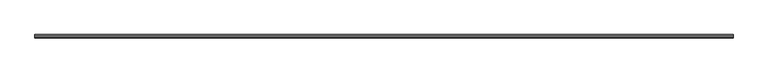
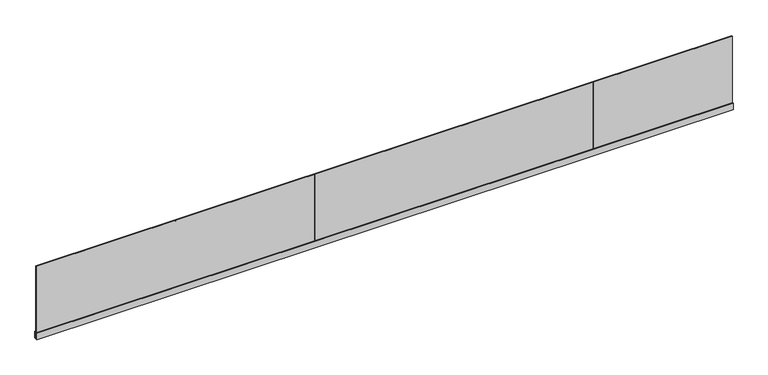
"""IFC4 building model written with IfcOpenShell, lengths in millimetres: railing geometry."""

from ifc_helpers import new_model, si_unit, frame, origin, place, context, project, spatial, polyline, outline, extrude, source, transform, mapped, element, save


def railing_21812aa6(model_context):
    return source(origin(), model_context, "Body", "SweptSolid", [
        extrude(outline(polyline([(-3061.5739061, 1879.8824508), (-3061.5739061, 1862.3824508), (-13061.5739061, 1862.3824508), (-13061.5739061, 1879.8824508), (-3061.5739061, 1879.8824508)])), frame((0.0, 0.0, 13.5), z_axis=(0.0, 0.0, 1.0), x_axis=(1.0, 0.0, 0.0)), (0.0, 0.0, 1.0), 1092.0),
        extrude(outline(polyline([(1895.6324508, 0.0), (1871.1324508, 0.0), (1846.6324508, 0.0), (1846.6324508, 98.0), (1860.8824508, 98.0), (1860.8824508, 13.5), (1871.1324508, 13.5), (1881.3824508, 13.5), (1881.3824508, 98.0), (1895.6324508, 98.0), (1895.6324508, 0.0)])), frame((-13061.5739061, 0.0, 0.0), z_axis=(1.0, 0.0, 0.0), x_axis=(0.0, 1.0, 0.0)), (0.0, 0.0, 1.0), 10000.0),
        extrude(outline(polyline([(-11063.2405711, 1862.3824508), (-11063.2405711, 1879.8824508), (-11059.9072411, 1879.8824508), (-11059.9072411, 1862.3824508), (-11063.2405711, 1862.3824508)])), frame((0.0, 0.0, 7.9), z_axis=(0.0, 0.0, 1.0), x_axis=(1.0, 0.0, 0.0)), (0.0, 0.0, 1.0), 1092.0),
        extrude(outline(polyline([(-9063.2405711, 1862.3824508), (-9063.2405711, 1879.8824508), (-9059.9072411, 1879.8824508), (-9059.9072411, 1862.3824508), (-9063.2405711, 1862.3824508)])), frame((0.0, 0.0, 7.9), z_axis=(0.0, 0.0, 1.0), x_axis=(1.0, 0.0, 0.0)), (0.0, 0.0, 1.0), 1092.0),
        extrude(outline(polyline([(-7063.2405711, 1862.3824508), (-7063.2405711, 1879.8824508), (-7059.9072411, 1879.8824508), (-7059.9072411, 1862.3824508), (-7063.2405711, 1862.3824508)])), frame((0.0, 0.0, 7.9), z_axis=(0.0, 0.0, 1.0), x_axis=(1.0, 0.0, 0.0)), (0.0, 0.0, 1.0), 1092.0),
        extrude(outline(polyline([(-5063.2405711, 1862.3824508), (-5063.2405711, 1879.8824508), (-5059.9072411, 1879.8824508), (-5059.9072411, 1862.3824508), (-5063.2405711, 1862.3824508)])), frame((0.0, 0.0, 7.9), z_axis=(0.0, 0.0, 1.0), x_axis=(1.0, 0.0, 0.0)), (0.0, 0.0, 1.0), 1092.0),
    ])


if __name__ == "__main__":
    model = new_model("IFC4")
    model_context = context("Model", 3, world=origin())
    ifc_project = project(units=[si_unit("LENGTHUNIT", "METRE", prefix="MILLI")], contexts=[model_context])
    site = spatial("IfcSite", under=ifc_project)
    building = spatial("IfcBuilding", under=site)
    placement = place(None, origin())
    railing_shape = railing_21812aa6(model_context)
    element("IfcRailing", 1, at=placement, inside=building, context=model_context, shape_type="MappedRepresentation", body=[
        mapped(railing_shape, transform((0.0, 0.0, 0.0), x_axis=(1.0, 0.0, 0.0), y_axis=(0.0, 1.0, 0.0), z_axis=(0.0, 0.0, 1.0))),
    ])
    save(model, "model.ifc")
